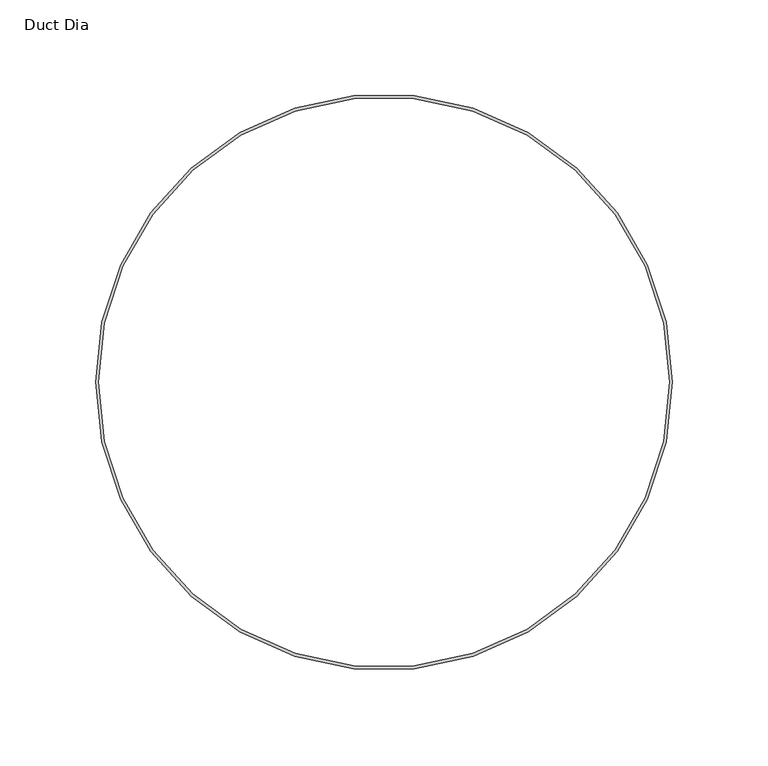
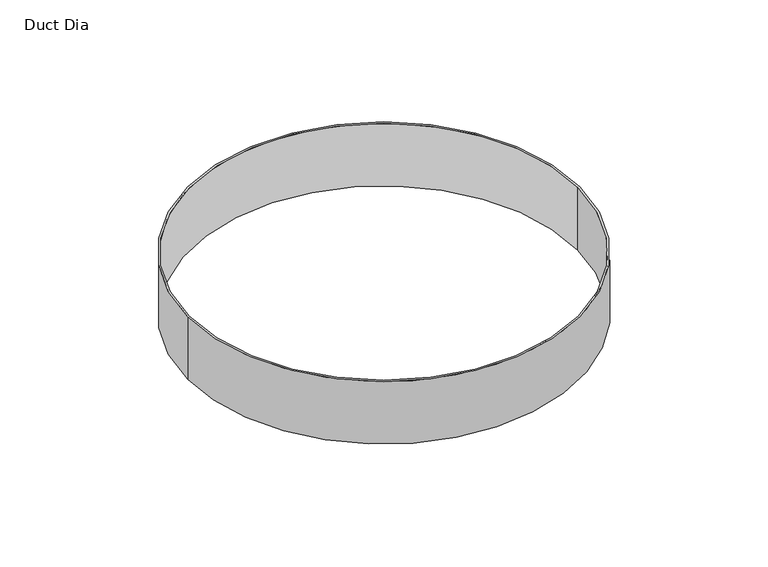
"""IFC4 building model written with IfcOpenShell, lengths in millimetres: proxy geometry, Duct Dia."""

import ifcopenshell
import ifcopenshell.guid

model = None  # the IFC model being written
_history = None  # IfcOwnerHistory: only IFC2X3 demands one
_inside = {}  # id of a spatial element -> (the spatial element, [elements in it])
_under = {}  # id of a project, library or spatial element -> (it, [spatial elements below it])
_declared = {}  # id of a project -> (the project, [libraries it declares])
_typed = {}  # id of a type object -> (the type object, [elements of that type])
_made_of = {}  # id of a material, layer set ... -> (it, [elements and type objects made of it])


def new_model(schema):
    """Start an empty IFC model of exactly this schema.

    Asked for "IFC4X3", IfcOpenShell would pick the latest addendum, in which some entities
    have other attributes; the version numbers below select the first issue.
    IFC2X3 requires an IfcOwnerHistory on every rooted entity: one is made here for all.
    """
    global model, _history
    if schema == "IFC4X3":
        model = ifcopenshell.file(schema_version=(4, 3, 0, 0))
    else:
        model = ifcopenshell.file(schema=schema)
    _inside.clear()
    _under.clear()
    _declared.clear()
    _typed.clear()
    _made_of.clear()
    _history = None
    if model.schema == "IFC2X3":
        org = make("IfcOrganization", Name="unknown")
        user = make(
            "IfcPersonAndOrganization",
            ThePerson=make("IfcPerson", FamilyName="unknown"),
            TheOrganization=org,
        )
        app = make(
            "IfcApplication",
            ApplicationDeveloper=org,
            Version="unknown",
            ApplicationFullName="unknown",
            ApplicationIdentifier="unknown",
        )
        _history = make(
            "IfcOwnerHistory",
            OwningUser=user,
            OwningApplication=app,
            ChangeAction="ADDED",
            CreationDate=0,
        )
    return model


def make(cls, **values):
    """One entity of the class cls with the attributes given. An attribute that is None is left unset."""
    return model.create_entity(
        cls, **{name: value for name, value in values.items() if value is not None}
    )


def rooted(cls, **values):
    """An entity with a GlobalId (a new one), such as an element, a storey or a relation."""
    return make(cls, GlobalId=ifcopenshell.guid.new(), OwnerHistory=_history, **values)


def si_unit(unit_type, name, prefix=None):
    """IfcSIUnit, for example si_unit("LENGTHUNIT", "METRE", prefix="MILLI")."""
    return make("IfcSIUnit", UnitType=unit_type, Prefix=prefix, Name=name)


def assignment(units):
    """IfcUnitAssignment: the units of a project."""
    return None if units is None else make("IfcUnitAssignment", Units=units)


def point(xyz):
    """IfcCartesianPoint."""
    return None if xyz is None else make("IfcCartesianPoint", Coordinates=xyz)


def direction(xyz):
    """IfcDirection."""
    return None if xyz is None else make("IfcDirection", DirectionRatios=xyz)


def frame(location, z_axis=None, x_axis=None):
    """IfcAxis2Placement3D, a coordinate frame: its origin and axes. An axis left out is left unset."""
    return make(
        "IfcAxis2Placement3D",
        Location=point(location),
        Axis=direction(z_axis),
        RefDirection=direction(x_axis),
    )


def frame_2d(location, x_axis=None):
    """IfcAxis2Placement2D, a coordinate frame in the plane: its origin and x axis."""
    return make(
        "IfcAxis2Placement2D", Location=point(location), RefDirection=direction(x_axis)
    )


def origin():
    """The frame at (0, 0, 0) with its axes left unset."""
    return frame((0.0, 0.0, 0.0))


def origin_with_axes():
    """The frame at (0, 0, 0) with the z axis (0, 0, 1) and the x axis (1, 0, 0) written out."""
    return frame((0.0, 0.0, 0.0), z_axis=(0.0, 0.0, 1.0), x_axis=(1.0, 0.0, 0.0))


def origin_2d():
    """The frame at (0, 0) in the plane with its x axis left unset."""
    return frame_2d((0.0, 0.0))


def place(relative_to, where):
    """IfcLocalPlacement: puts the frame where relative to a parent placement (None: the world)."""
    return make(
        "IfcLocalPlacement", PlacementRelTo=relative_to, RelativePlacement=where
    )


def context(
    kind, dimensions, precision=None, world=None, true_north=None, identifier=None
):
    """IfcGeometricRepresentationContext, for example the 3D "Model" context."""
    return make(
        "IfcGeometricRepresentationContext",
        ContextIdentifier=identifier,
        ContextType=kind,
        CoordinateSpaceDimension=dimensions,
        Precision=precision,
        WorldCoordinateSystem=world,
        TrueNorth=true_north,
    )


def project(units=None, contexts=None):
    """IfcProject with its units and contexts."""
    return rooted(
        "IfcProject",
        Name="project",
        RepresentationContexts=contexts,
        UnitsInContext=assignment(units),
    )


def spatial(cls, under=None, at=None, **own):
    """A site, building, storey or space (cls), placed at a placement, below another one or the project."""
    s = rooted(cls, ObjectPlacement=at, **own)
    if under is not None:
        _under.setdefault(under.id(), (under, []))[1].append(s)
    return s


def circle_curve(where, radius):
    """IfcCircle in the frame where."""
    return make("IfcCircle", Position=where, Radius=radius)


def trimmed(basis, trim1, trim2, sense, master):
    """IfcTrimmedCurve: the piece of a basis curve between two trims."""
    return make(
        "IfcTrimmedCurve",
        BasisCurve=basis,
        Trim1=trim1,
        Trim2=trim2,
        SenseAgreement=sense,
        MasterRepresentation=master,
    )


def segment(curve, same_sense, transition):
    """IfcCompositeCurveSegment."""
    return make(
        "IfcCompositeCurveSegment",
        Transition=transition,
        SameSense=same_sense,
        ParentCurve=curve,
    )


def composite_curve(segments, self_intersect=None):
    """IfcCompositeCurve: segments joined end to end."""
    return make("IfcCompositeCurve", Segments=segments, SelfIntersect=self_intersect)


def outline(outer, holes=None, kind="AREA"):
    """IfcArbitraryClosedProfileDef: a profile drawn as a closed curve; with holes, ...WithVoids."""
    if holes is None:
        return make("IfcArbitraryClosedProfileDef", ProfileType=kind, OuterCurve=outer)
    return make(
        "IfcArbitraryProfileDefWithVoids",
        ProfileType=kind,
        OuterCurve=outer,
        InnerCurves=holes,
    )


def extrude(swept, where, along, depth):
    """IfcExtrudedAreaSolid: the profile swept, set in the frame where, extruded along a direction by depth."""
    return make(
        "IfcExtrudedAreaSolid",
        SweptArea=swept,
        Position=where,
        ExtrudedDirection=direction(along),
        Depth=depth,
    )


def shape(context_of_items, identifier, shape_type, items):
    """IfcShapeRepresentation: the items that make up one representation, for example the "Body"."""
    return make(
        "IfcShapeRepresentation",
        ContextOfItems=context_of_items,
        RepresentationIdentifier=identifier,
        RepresentationType=shape_type,
        Items=items,
    )


def source(mapping_origin, context_of_items, identifier, shape_type, items):
    """IfcRepresentationMap: a shape defined once, which mapped items show again and again."""
    return make(
        "IfcRepresentationMap",
        MappingOrigin=mapping_origin,
        MappedRepresentation=shape(context_of_items, identifier, shape_type, items),
    )


def transform(
    local_origin,
    x_axis=None,
    y_axis=None,
    z_axis=None,
    scale=None,
    scale2=None,
    scale3=None,
    uniform=True,
):
    """IfcCartesianTransformationOperator3D, or its non-uniform kind. x_axis, y_axis, z_axis: its Axis1, 2, 3."""
    if uniform:
        return make(
            "IfcCartesianTransformationOperator3D",
            Axis1=direction(x_axis),
            Axis2=direction(y_axis),
            LocalOrigin=point(local_origin),
            Scale=scale,
            Axis3=direction(z_axis),
        )
    return make(
        "IfcCartesianTransformationOperator3DnonUniform",
        Axis1=direction(x_axis),
        Axis2=direction(y_axis),
        LocalOrigin=point(local_origin),
        Scale=scale,
        Axis3=direction(z_axis),
        Scale2=scale2,
        Scale3=scale3,
    )


def mapped(mapping_source, mapping_target):
    """IfcMappedItem: shows the shape of a source again, moved by a transform."""
    return make(
        "IfcMappedItem", MappingSource=mapping_source, MappingTarget=mapping_target
    )


def made_of(thing, what):
    """Note that an element or type object is made of a material, layer set ...; save() writes the relation."""
    if what is not None:
        _made_of.setdefault(what.id(), (what, []))[1].append(thing)
    return thing


def element(
    cls,
    number,
    at=None,
    inside=None,
    cuts=None,
    type_object=None,
    material=None,
    context=None,
    identifier="Body",
    shape_type=None,
    held_by="IfcProductDefinitionShape",
    body=None,
    shapes=None,
    **own,
):
    """One element of the class cls, such as IfcWall. Its Tag is "e" and its number.

    at: its placement. inside: the storey or other place that contains it. cuts: it is an
    opening in that element (IfcRelVoidsElement). A single representation is given by context,
    identifier, shape_type and body (its items); several are given by shapes. held_by: the class
    of the entity that holds the representations. save() writes the other relations.
    """
    e = rooted(cls, Tag="e%d" % number, ObjectPlacement=at, **own)
    if body is not None:
        shapes = [shape(context, identifier, shape_type, body)]
    if shapes is not None:
        e.Representation = make(held_by, Representations=shapes)
    if inside is not None:
        _inside.setdefault(inside.id(), (inside, []))[1].append(e)
    if cuts is not None:
        rooted(
            "IfcRelVoidsElement", RelatingBuildingElement=cuts, RelatedOpeningElement=e
        )
    if type_object is not None:
        _typed.setdefault(type_object.id(), (type_object, []))[1].append(e)
    return made_of(e, material)


def aggregate(whole, parts):
    """IfcRelAggregates: a whole, such as a stair, and the parts it consists of."""
    return rooted("IfcRelAggregates", RelatingObject=whole, RelatedObjects=parts)


def save(model, path):
    """Write the relations noted so far, then the file.

    IfcRelAggregates (storeys below a building ...), IfcRelContainedInSpatialStructure (elements
    in a storey), IfcRelDefinesByType, IfcRelAssociatesMaterial and IfcRelDeclares: one each for
    every whole, place, type object, material and project.
    """
    for whole, parts in _under.values():
        aggregate(whole, parts)
    for where, things in _inside.values():
        rooted(
            "IfcRelContainedInSpatialStructure",
            RelatedElements=things,
            RelatingStructure=where,
        )
    for kind, things in _typed.values():
        rooted("IfcRelDefinesByType", RelatedObjects=things, RelatingType=kind)
    for what, things in _made_of.values():
        rooted("IfcRelAssociatesMaterial", RelatedObjects=things, RelatingMaterial=what)
    for by, libraries in _declared.values():
        rooted("IfcRelDeclares", RelatingContext=by, RelatedDefinitions=libraries)
    model.write(path)


def duct_dia_864372f9(model_context):
    return source(origin(), model_context, "Body", "SweptSolid", [
        extrude(outline(composite_curve([segment(trimmed(circle_curve(origin_2d(), 150.8621094), [point((-150.8621094, 0.0))], [point((150.8621094, 0.0))], False, "CARTESIAN"), True, "CONTINUOUS"), segment(trimmed(circle_curve(origin_2d(), 150.8621094), [point((150.8621094, 0.0))], [point((-150.8621094, 0.0))], False, "CARTESIAN"), True, "CONTINUOUS")], self_intersect=False), holes=[composite_curve([segment(trimmed(circle_curve(origin_2d(), 149.2746094), [point((-149.2746094, 0.0))], [point((149.2746094, 0.0))], True, "CARTESIAN"), True, "CONTINUOUS"), segment(trimmed(circle_curve(origin_2d(), 149.2746094), [point((149.2746094, 0.0))], [point((-149.2746094, 0.0))], True, "CARTESIAN"), True, "CONTINUOUS")], self_intersect=False)]), origin_with_axes(), (0.0, 0.0, 1.0), 50.8),
    ])


if __name__ == "__main__":
    model = new_model("IFC4")
    model_context = context("Model", 3, world=origin())
    ifc_project = project(units=[si_unit("LENGTHUNIT", "METRE", prefix="MILLI")], contexts=[model_context])
    site = spatial("IfcSite", under=ifc_project)
    building = spatial("IfcBuilding", under=site)
    placement = place(None, origin())
    duct_dia_shape = duct_dia_864372f9(model_context)
    element("IfcBuildingElementProxy", 1, Name="Duct Dia", ObjectType="Duct Dia", at=placement, inside=building, context=model_context, shape_type="MappedRepresentation", body=[
        mapped(duct_dia_shape, transform((0.0, 0.0, 0.0), x_axis=(1.0, 0.0, 0.0), y_axis=(0.0, 1.0, 0.0), z_axis=(0.0, 0.0, 1.0))),
    ])
    save(model, "model.ifc")
